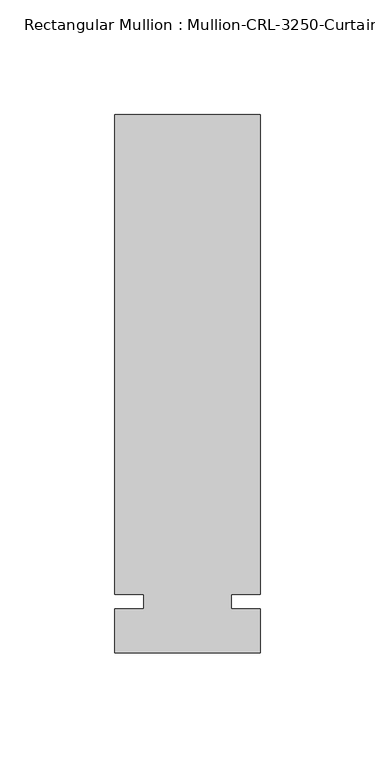
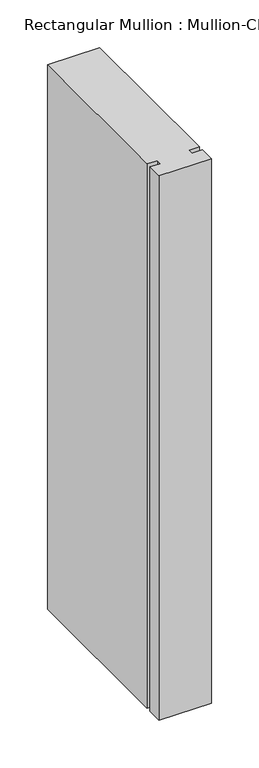
"""IFC4 building model written with IfcOpenShell, lengths in millimetres: member geometry."""

from ifc_helpers import new_model, si_unit, frame, origin, place, context, project, spatial, polyline, outline, extrude, source, transform, mapped, element, save


def member_140911eb(model_context):
    return source(origin(), model_context, "Body", "SweptSolid", [
        extrude(outline(polyline([(31.7499985, -3.175), (31.7499985, -22.2254168), (-31.7499985, -22.2254168), (-31.7499985, -3.175), (-19.0499985, -3.175), (-19.0499985, 3.175), (-31.7499985, 3.175), (-31.7499985, 212.7246169), (31.7499985, 212.7246169), (31.7499985, 3.175), (19.0499985, 3.175), (19.0499985, -3.175), (31.7499985, -3.175)])), frame((0.0, 0.0, -698.3166731), z_axis=(0.0, 0.0, 1.0), x_axis=(1.0, 0.0, 0.0)), (0.0, 0.0, 1.0), 698.3166731),
    ])


if __name__ == "__main__":
    model = new_model("IFC4")
    model_context = context("Model", 3, world=origin())
    ifc_project = project(units=[si_unit("LENGTHUNIT", "METRE", prefix="MILLI")], contexts=[model_context])
    site = spatial("IfcSite", under=ifc_project)
    building = spatial("IfcBuilding", under=site)
    placement = place(None, origin())
    member_shape = member_140911eb(model_context)
    element("IfcMember", 1, ObjectType="Rectangular Mullion : Mullion-CRL-3250-Curtain_Wall-Intermediate_Horizontal-8\"", at=placement, inside=building, context=model_context, shape_type="MappedRepresentation", body=[
        mapped(member_shape, transform((0.0, 0.0, 0.0), x_axis=(1.0, 0.0, 0.0), y_axis=(0.0, 1.0, 0.0), z_axis=(0.0, 0.0, 1.0))),
    ])
    save(model, "model.ifc")
